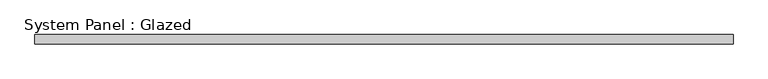
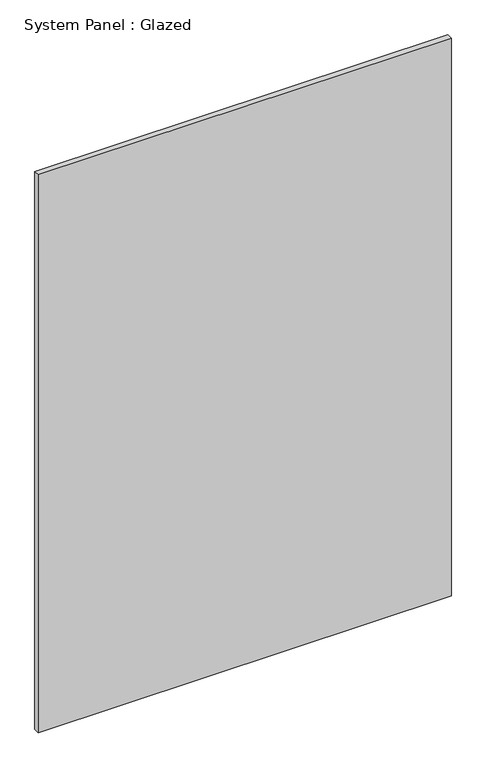
"""IFC4 building model written with IfcOpenShell, lengths in millimetres: plate geometry, System Panel : Glazed."""

from ifc_helpers import new_model, si_unit, origin, origin_with_axes, place, context, project, spatial, polyline, outline, extrude, source, transform, mapped, element, save


def system_panel_glazed_5cb9a16e(model_context):
    return source(origin(), model_context, "Body", "SweptSolid", [
        extrude(outline(polyline([(945.941308, 24.5), (-945.941308, 24.5), (-945.941308, 49.5), (945.941308, 49.5), (945.941308, 24.5)])), origin_with_axes(), (0.0, 0.0, 1.0), 2700.0),
    ])


if __name__ == "__main__":
    model = new_model("IFC4")
    model_context = context("Model", 3, world=origin())
    ifc_project = project(units=[si_unit("LENGTHUNIT", "METRE", prefix="MILLI")], contexts=[model_context])
    site = spatial("IfcSite", under=ifc_project)
    building = spatial("IfcBuilding", under=site)
    placement = place(None, origin())
    system_panel_glazed_shape = system_panel_glazed_5cb9a16e(model_context)
    element("IfcPlate", 1, ObjectType="System Panel : Glazed", at=placement, inside=building, context=model_context, shape_type="MappedRepresentation", body=[
        mapped(system_panel_glazed_shape, transform((0.0, 0.0, 0.0), x_axis=(1.0, 0.0, 0.0), y_axis=(0.0, 1.0, 0.0), z_axis=(0.0, 0.0, 1.0))),
    ])
    save(model, "model.ifc")
